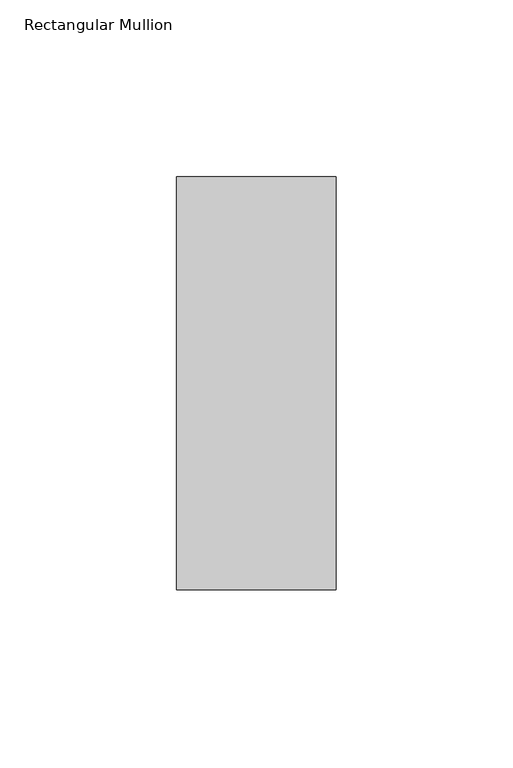
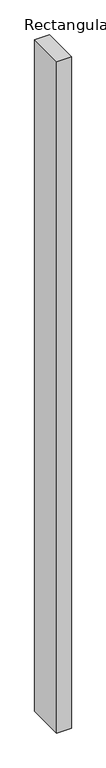
"""IFC4 building model written with IfcOpenShell, lengths in millimetres: member geometry, Rectangular Mullion."""

from ifc_helpers import new_model, si_unit, frame, origin, place, context, project, spatial, polyline, outline, extrude, source, transform, mapped, element, save


def rectangular_mullion_8472ef00(model_context):
    return source(origin(), model_context, "Body", "SweptSolid", [
        extrude(outline(polyline([(-45.0453125, 73.875), (0.0, 73.875), (0.0, -42.8257813), (-45.0453125, -42.8257813), (-45.0453125, 73.875)])), frame((0.0, 0.0, -2180.6210113), z_axis=(0.0, 0.0, 1.0), x_axis=(1.0, 0.0, 0.0)), (0.0, 0.0, 1.0), 2180.6210113),
    ])


if __name__ == "__main__":
    model = new_model("IFC4")
    model_context = context("Model", 3, world=origin())
    ifc_project = project(units=[si_unit("LENGTHUNIT", "METRE", prefix="MILLI")], contexts=[model_context])
    site = spatial("IfcSite", under=ifc_project)
    building = spatial("IfcBuilding", under=site)
    placement = place(None, origin())
    rectangular_mullion_shape = rectangular_mullion_8472ef00(model_context)
    element("IfcMember", 1, ObjectType="Rectangular Mullion", at=placement, inside=building, context=model_context, shape_type="MappedRepresentation", body=[
        mapped(rectangular_mullion_shape, transform((0.0, 0.0, 0.0), x_axis=(1.0, 0.0, 0.0), y_axis=(0.0, 1.0, 0.0), z_axis=(0.0, 0.0, 1.0))),
    ])
    save(model, "model.ifc")
